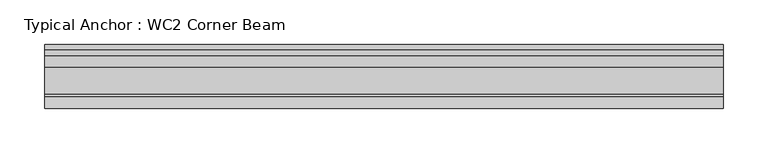
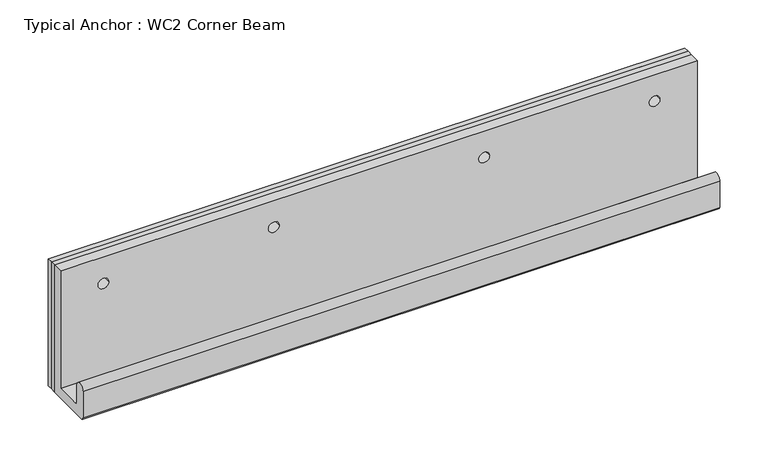
"""IFC4 building model written with IfcOpenShell, lengths in millimetres: fastener geometry, Typical Anchor : WC2 Corner Beam."""

from ifc_helpers import new_model, si_unit, frame, origin, origin_with_axes, place, context, project, spatial, polyline, circle_curve, outline, extrude, source, transform, mapped, element, save
from ifc_brep_helpers import plane_surface, cylinder_surface, revolved_surface, advanced_brep


def typical_anchor_wc2_corner_beam_ed41b299(model_context):
    return source(origin(), model_context, "Body", "SolidModel", [
        advanced_brep(
        [(-334.9625, -12.7, 127.0), (-334.9625, -25.4, 127.0), (-322.2625, -25.4, 127.0), (-322.2625, -12.7, 127.0), (379.4125, -12.7, 160.3375), (379.4125, -25.4, 160.3375), (379.4125, -25.4, 12.7), (379.4125, -55.5625, 12.7), (379.4125, -58.7375, 15.875), (379.4125, -58.7375, 36.5125), (379.4125, -71.4375, 36.5125), (379.4125, -71.4375, 3.175), (379.4125, -68.2625, 0.0), (379.4125, -12.7, 0.0), (-379.4125, -12.7, 160.3375), (-379.4125, -12.7, 0.0), (-379.4125, -68.2625, 0.0), (-379.4125, -71.4375, 3.175), (-379.4125, -71.4375, 36.5125), (-379.4125, -58.7375, 36.5125), (-379.4125, -58.7375, 15.875), (-379.4125, -55.5625, 12.7), (-379.4125, -25.4, 12.7), (-379.4125, -25.4, 160.3375), (322.2625, -12.7, 127.0), (322.2625, -25.4, 127.0), (334.9625, -25.4, 127.0), (334.9625, -12.7, 127.0), (-119.0625, -25.4, 127.0), (-131.7625, -25.4, 127.0), (131.7625, -25.4, 127.0), (119.0625, -25.4, 127.0), (-131.7625, -12.7, 127.0), (-119.0625, -12.7, 127.0), (119.0625, -12.7, 127.0), (131.7625, -12.7, 127.0)],
        [
            (0, 1),
            (1, 2, circle_curve(frame((-328.6125, -25.4, 127.0), z_axis=(0.0, -1.0, 0.0), x_axis=(1.0, 0.0, 0.0)), 6.35)),
            (2, 3),
            (3, 0, circle_curve(frame((-328.6125, -12.7, 127.0), z_axis=(0.0, 1.0, 0.0), x_axis=(1.0, 0.0, 0.0)), 6.35)),
            (0, 3, circle_curve(frame((-328.6125, -12.7, 127.0), z_axis=(0.0, 1.0, 0.0), x_axis=(1.0, 0.0, 0.0)), 6.35)),
            (2, 1, circle_curve(frame((-328.6125, -25.4, 127.0), z_axis=(0.0, -1.0, 0.0), x_axis=(1.0, 0.0, 0.0)), 6.35)),
            (4, 5),
            (5, 6),
            (6, 7),
            (7, 8, circle_curve(frame((379.4125, -55.5625, 15.875), z_axis=(-1.0, 0.0, 0.0), x_axis=(0.0, -1.0, 0.0)), 3.175)),
            (8, 9),
            (9, 10, circle_curve(frame((379.4125, -65.0875, 36.5125), z_axis=(1.0, 0.0, 0.0), x_axis=(0.0, -1.0, 0.0)), 6.35)),
            (10, 11),
            (11, 12, circle_curve(frame((379.4125, -68.2625, 3.175), z_axis=(1.0, 0.0, 0.0), x_axis=(0.0, -1.0, 0.0)), 3.175)),
            (12, 13),
            (13, 4),
            (14, 15),
            (15, 16),
            (16, 17, circle_curve(frame((-379.4125, -68.2625, 3.175), z_axis=(-1.0, 0.0, 0.0), x_axis=(0.0, -1.0, 0.0)), 3.175)),
            (17, 18),
            (18, 19, circle_curve(frame((-379.4125, -65.0875, 36.5125), z_axis=(-1.0, 0.0, 0.0), x_axis=(0.0, -1.0, 0.0)), 6.35)),
            (19, 20),
            (20, 21, circle_curve(frame((-379.4125, -55.5625, 15.875), z_axis=(1.0, 0.0, 0.0), x_axis=(0.0, -1.0, 0.0)), 3.175)),
            (21, 22),
            (22, 23),
            (23, 14),
            (4, 14),
            (23, 5),
            (24, 25),
            (25, 26, circle_curve(frame((328.6125, -25.4, 127.0), z_axis=(0.0, -1.0, 0.0), x_axis=(-1.0, 0.0, 0.0)), 6.35)),
            (26, 27),
            (27, 24, circle_curve(frame((328.6125, -12.7, 127.0), z_axis=(0.0, 1.0, 0.0), x_axis=(-1.0, 0.0, 0.0)), 6.35)),
            (24, 27, circle_curve(frame((328.6125, -12.7, 127.0), z_axis=(0.0, 1.0, 0.0), x_axis=(-1.0, 0.0, 0.0)), 6.35)),
            (26, 25, circle_curve(frame((328.6125, -25.4, 127.0), z_axis=(0.0, -1.0, 0.0), x_axis=(-1.0, 0.0, 0.0)), 6.35)),
            (22, 6),
            (28, 29, circle_curve(frame((-125.4125, -25.4, 127.0), z_axis=(0.0, 1.0, 0.0), x_axis=(1.0, 0.0, 0.0)), 6.35)),
            (29, 28, circle_curve(frame((-125.4125, -25.4, 127.0), z_axis=(0.0, 1.0, 0.0), x_axis=(1.0, 0.0, 0.0)), 6.35)),
            (30, 31, circle_curve(frame((125.4125, -25.4, 127.0), z_axis=(0.0, 1.0, 0.0), x_axis=(-1.0, 0.0, 0.0)), 6.35)),
            (31, 30, circle_curve(frame((125.4125, -25.4, 127.0), z_axis=(0.0, 1.0, 0.0), x_axis=(-1.0, 0.0, 0.0)), 6.35)),
            (21, 7),
            (20, 8),
            (19, 9),
            (18, 10),
            (17, 11),
            (16, 12),
            (15, 13),
            (32, 33, circle_curve(frame((-125.4125, -12.7, 127.0), z_axis=(0.0, -1.0, 0.0), x_axis=(1.0, 0.0, 0.0)), 6.35)),
            (33, 32, circle_curve(frame((-125.4125, -12.7, 127.0), z_axis=(0.0, -1.0, 0.0), x_axis=(1.0, 0.0, 0.0)), 6.35)),
            (34, 35, circle_curve(frame((125.4125, -12.7, 127.0), z_axis=(0.0, -1.0, 0.0), x_axis=(-1.0, 0.0, 0.0)), 6.35)),
            (35, 34, circle_curve(frame((125.4125, -12.7, 127.0), z_axis=(0.0, -1.0, 0.0), x_axis=(-1.0, 0.0, 0.0)), 6.35)),
            (32, 29),
            (28, 33),
            (34, 31),
            (30, 35),
        ],
        [
            revolved_surface(polyline([(-322.2625, -25.400000000000006, 127.0), (-322.2625, -12.699999999999989, 127.0)]), (-328.6125, 176.9675317, 127.0), (0.0, -1.0, 0.0)),
            plane_surface(frame((379.4125, -25.4, 160.3375), z_axis=(1.0, 0.0, 0.0), x_axis=(0.0, -1.0, 0.0))),
            plane_surface(frame((-379.4125, -25.4, 160.3375), z_axis=(-1.0, 0.0, 0.0), x_axis=(0.0, 1.0, 0.0))),
            plane_surface(frame((379.4125, -12.7, 160.3375), z_axis=(0.0, 0.0, 1.0), x_axis=(-1.0, 0.0, 0.0))),
            revolved_surface(polyline([(322.2625, -25.400000000000006, 127.0), (322.2625, -12.699999999999989, 127.0)]), (328.6125, 176.9675317, 127.0), (0.0, -1.0, 0.0)),
            plane_surface(frame((379.4125, -25.4, 160.3375), z_axis=(0.0, -1.0, 0.0), x_axis=(-1.0, 0.0, 0.0))),
            plane_surface(frame((379.4125, -25.4, 12.7), z_axis=(0.0, 0.0, 1.0), x_axis=(-1.0, 0.0, 0.0))),
            revolved_surface(polyline([(-379.4125, -58.7375, 15.875), (379.4125, -58.7375, 15.875)]), (-379.4125, -55.5625, 15.875), (-1.0, 0.0, 0.0)),
            plane_surface(frame((379.4125, -58.7375, 15.875), z_axis=(0.0, 1.0, 0.0), x_axis=(-1.0, 0.0, 0.0))),
            cylinder_surface(frame((-379.4125, -65.0875, 36.5125), z_axis=(1.0, 0.0, 0.0), x_axis=(0.0, -1.0, 0.0)), 6.35),
            plane_surface(frame((379.4125, -71.4375, 36.5125), z_axis=(0.0, -1.0, 0.0), x_axis=(-1.0, 0.0, 0.0))),
            cylinder_surface(frame((-379.4125, -68.2625, 3.175), z_axis=(1.0, 0.0, 0.0), x_axis=(0.0, -1.0, 0.0)), 3.175),
            plane_surface(frame((379.4125, -68.2625, 0.0), z_axis=(0.0, 0.0, -1.0), x_axis=(-1.0, 0.0, 0.0))),
            plane_surface(frame((379.4125, -12.7, 0.0), z_axis=(0.0, 1.0, 0.0), x_axis=(-1.0, 0.0, 0.0))),
            revolved_surface(polyline([(-119.0625, -25.400000000000006, 127.0), (-119.0625, -12.699999999999989, 127.0)]), (-125.4125, 176.9675317, 127.0), (0.0, -1.0, 0.0)),
            revolved_surface(polyline([(119.0625, -25.400000000000006, 127.0), (119.0625, -12.699999999999989, 127.0)]), (125.4125, 176.9675317, 127.0), (0.0, -1.0, 0.0)),
        ],
        [
            (0, [[1, 2, 3, 4]]),
            (0, [[-1, 5, -3, 6]]),
            (1, [[7, 8, 9, 10, 11, 12, 13, 14, 15, 16]]),
            (2, [[17, 18, 19, 20, 21, 22, 23, 24, 25, 26]]),
            (3, [[-7, 27, -26, 28]]),
            (4, [[29, 30, 31, 32]]),
            (4, [[-29, 33, -31, 34]]),
            (5, [[-8, -28, -25, 35], [-2, -6], [-30, -34], [36, 37], [38, 39]]),
            (6, [[-9, -35, -24, 40]]),
            (7, [[-10, -40, -23, 41]]),
            (8, [[-11, -41, -22, 42]]),
            (9, [[-12, -42, -21, 43]]),
            (10, [[-13, -43, -20, 44]]),
            (11, [[-14, -44, -19, 45]]),
            (12, [[-15, -45, -18, 46]]),
            (13, [[-16, -46, -17, -27], [-4, -5], [-32, -33], [47, 48], [49, 50]]),
            (14, [[51, -36, 52, -47]]),
            (14, [[-51, -48, -52, -37]]),
            (15, [[53, -38, 54, -49]]),
            (15, [[-53, -50, -54, -39]]),
        ],
    ),
        extrude(outline(polyline([(379.4125, -6.35), (379.4125, -12.7), (-379.4125, -12.7), (-379.4125, -6.35), (379.4125, -6.35)])), origin_with_axes(), (0.0, 0.0, 1.0), 160.3375),
        extrude(outline(polyline([(379.4125, 0.0), (379.4125, -6.35), (-379.4125, -6.35), (-379.4125, 0.0), (379.4125, 0.0)])), origin_with_axes(), (0.0, 0.0, 1.0), 160.3375),
    ])


if __name__ == "__main__":
    model = new_model("IFC4")
    model_context = context("Model", 3, world=origin())
    ifc_project = project(units=[si_unit("LENGTHUNIT", "METRE", prefix="MILLI")], contexts=[model_context])
    site = spatial("IfcSite", under=ifc_project)
    building = spatial("IfcBuilding", under=site)
    placement = place(None, origin())
    typical_anchor_wc2_corner_beam_shape = typical_anchor_wc2_corner_beam_ed41b299(model_context)
    element("IfcFastener", 1, ObjectType="Typical Anchor : WC2 Corner Beam", at=placement, inside=building, context=model_context, shape_type="MappedRepresentation", body=[
        mapped(typical_anchor_wc2_corner_beam_shape, transform((0.0, 0.0, 0.0), x_axis=(1.0, 0.0, 0.0), y_axis=(0.0, 1.0, 0.0), z_axis=(0.0, 0.0, 1.0))),
    ])
    save(model, "model.ifc")
